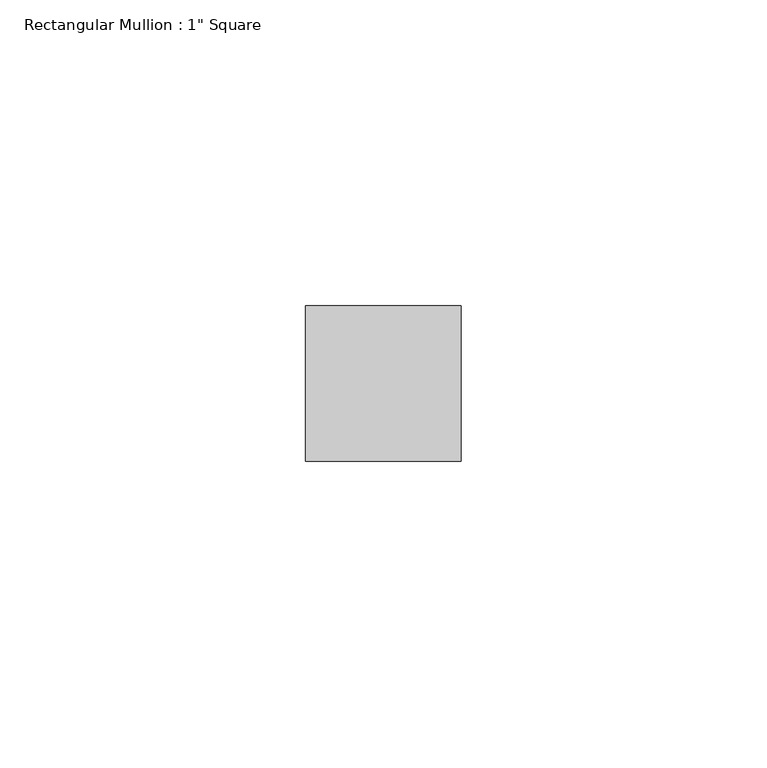
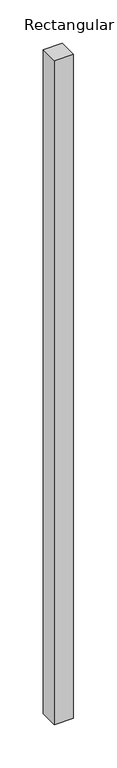
"""IFC4 building model written with IfcOpenShell, lengths in millimetres: member geometry."""

import ifcopenshell
import ifcopenshell.guid

model = None  # the IFC model being written
_history = None  # IfcOwnerHistory: only IFC2X3 demands one
_inside = {}  # id of a spatial element -> (the spatial element, [elements in it])
_under = {}  # id of a project, library or spatial element -> (it, [spatial elements below it])
_declared = {}  # id of a project -> (the project, [libraries it declares])
_typed = {}  # id of a type object -> (the type object, [elements of that type])
_made_of = {}  # id of a material, layer set ... -> (it, [elements and type objects made of it])


def new_model(schema):
    """Start an empty IFC model of exactly this schema.

    Asked for "IFC4X3", IfcOpenShell would pick the latest addendum, in which some entities
    have other attributes; the version numbers below select the first issue.
    IFC2X3 requires an IfcOwnerHistory on every rooted entity: one is made here for all.
    """
    global model, _history
    if schema == "IFC4X3":
        model = ifcopenshell.file(schema_version=(4, 3, 0, 0))
    else:
        model = ifcopenshell.file(schema=schema)
    _inside.clear()
    _under.clear()
    _declared.clear()
    _typed.clear()
    _made_of.clear()
    _history = None
    if model.schema == "IFC2X3":
        org = make("IfcOrganization", Name="unknown")
        user = make(
            "IfcPersonAndOrganization",
            ThePerson=make("IfcPerson", FamilyName="unknown"),
            TheOrganization=org,
        )
        app = make(
            "IfcApplication",
            ApplicationDeveloper=org,
            Version="unknown",
            ApplicationFullName="unknown",
            ApplicationIdentifier="unknown",
        )
        _history = make(
            "IfcOwnerHistory",
            OwningUser=user,
            OwningApplication=app,
            ChangeAction="ADDED",
            CreationDate=0,
        )
    return model


def make(cls, **values):
    """One entity of the class cls with the attributes given. An attribute that is None is left unset."""
    return model.create_entity(
        cls, **{name: value for name, value in values.items() if value is not None}
    )


def rooted(cls, **values):
    """An entity with a GlobalId (a new one), such as an element, a storey or a relation."""
    return make(cls, GlobalId=ifcopenshell.guid.new(), OwnerHistory=_history, **values)


def si_unit(unit_type, name, prefix=None):
    """IfcSIUnit, for example si_unit("LENGTHUNIT", "METRE", prefix="MILLI")."""
    return make("IfcSIUnit", UnitType=unit_type, Prefix=prefix, Name=name)


def assignment(units):
    """IfcUnitAssignment: the units of a project."""
    return None if units is None else make("IfcUnitAssignment", Units=units)


def point(xyz):
    """IfcCartesianPoint."""
    return None if xyz is None else make("IfcCartesianPoint", Coordinates=xyz)


def direction(xyz):
    """IfcDirection."""
    return None if xyz is None else make("IfcDirection", DirectionRatios=xyz)


def frame(location, z_axis=None, x_axis=None):
    """IfcAxis2Placement3D, a coordinate frame: its origin and axes. An axis left out is left unset."""
    return make(
        "IfcAxis2Placement3D",
        Location=point(location),
        Axis=direction(z_axis),
        RefDirection=direction(x_axis),
    )


def origin():
    """The frame at (0, 0, 0) with its axes left unset."""
    return frame((0.0, 0.0, 0.0))


def place(relative_to, where):
    """IfcLocalPlacement: puts the frame where relative to a parent placement (None: the world)."""
    return make(
        "IfcLocalPlacement", PlacementRelTo=relative_to, RelativePlacement=where
    )


def context(
    kind, dimensions, precision=None, world=None, true_north=None, identifier=None
):
    """IfcGeometricRepresentationContext, for example the 3D "Model" context."""
    return make(
        "IfcGeometricRepresentationContext",
        ContextIdentifier=identifier,
        ContextType=kind,
        CoordinateSpaceDimension=dimensions,
        Precision=precision,
        WorldCoordinateSystem=world,
        TrueNorth=true_north,
    )


def project(units=None, contexts=None):
    """IfcProject with its units and contexts."""
    return rooted(
        "IfcProject",
        Name="project",
        RepresentationContexts=contexts,
        UnitsInContext=assignment(units),
    )


def spatial(cls, under=None, at=None, **own):
    """A site, building, storey or space (cls), placed at a placement, below another one or the project."""
    s = rooted(cls, ObjectPlacement=at, **own)
    if under is not None:
        _under.setdefault(under.id(), (under, []))[1].append(s)
    return s


def polyline(points):
    """IfcPolyline through the points."""
    return make("IfcPolyline", Points=[point(p) for p in points])


def outline(outer, holes=None, kind="AREA"):
    """IfcArbitraryClosedProfileDef: a profile drawn as a closed curve; with holes, ...WithVoids."""
    if holes is None:
        return make("IfcArbitraryClosedProfileDef", ProfileType=kind, OuterCurve=outer)
    return make(
        "IfcArbitraryProfileDefWithVoids",
        ProfileType=kind,
        OuterCurve=outer,
        InnerCurves=holes,
    )


def extrude(swept, where, along, depth):
    """IfcExtrudedAreaSolid: the profile swept, set in the frame where, extruded along a direction by depth."""
    return make(
        "IfcExtrudedAreaSolid",
        SweptArea=swept,
        Position=where,
        ExtrudedDirection=direction(along),
        Depth=depth,
    )


def shape(context_of_items, identifier, shape_type, items):
    """IfcShapeRepresentation: the items that make up one representation, for example the "Body"."""
    return make(
        "IfcShapeRepresentation",
        ContextOfItems=context_of_items,
        RepresentationIdentifier=identifier,
        RepresentationType=shape_type,
        Items=items,
    )


def source(mapping_origin, context_of_items, identifier, shape_type, items):
    """IfcRepresentationMap: a shape defined once, which mapped items show again and again."""
    return make(
        "IfcRepresentationMap",
        MappingOrigin=mapping_origin,
        MappedRepresentation=shape(context_of_items, identifier, shape_type, items),
    )


def transform(
    local_origin,
    x_axis=None,
    y_axis=None,
    z_axis=None,
    scale=None,
    scale2=None,
    scale3=None,
    uniform=True,
):
    """IfcCartesianTransformationOperator3D, or its non-uniform kind. x_axis, y_axis, z_axis: its Axis1, 2, 3."""
    if uniform:
        return make(
            "IfcCartesianTransformationOperator3D",
            Axis1=direction(x_axis),
            Axis2=direction(y_axis),
            LocalOrigin=point(local_origin),
            Scale=scale,
            Axis3=direction(z_axis),
        )
    return make(
        "IfcCartesianTransformationOperator3DnonUniform",
        Axis1=direction(x_axis),
        Axis2=direction(y_axis),
        LocalOrigin=point(local_origin),
        Scale=scale,
        Axis3=direction(z_axis),
        Scale2=scale2,
        Scale3=scale3,
    )


def mapped(mapping_source, mapping_target):
    """IfcMappedItem: shows the shape of a source again, moved by a transform."""
    return make(
        "IfcMappedItem", MappingSource=mapping_source, MappingTarget=mapping_target
    )


def made_of(thing, what):
    """Note that an element or type object is made of a material, layer set ...; save() writes the relation."""
    if what is not None:
        _made_of.setdefault(what.id(), (what, []))[1].append(thing)
    return thing


def element(
    cls,
    number,
    at=None,
    inside=None,
    cuts=None,
    type_object=None,
    material=None,
    context=None,
    identifier="Body",
    shape_type=None,
    held_by="IfcProductDefinitionShape",
    body=None,
    shapes=None,
    **own,
):
    """One element of the class cls, such as IfcWall. Its Tag is "e" and its number.

    at: its placement. inside: the storey or other place that contains it. cuts: it is an
    opening in that element (IfcRelVoidsElement). A single representation is given by context,
    identifier, shape_type and body (its items); several are given by shapes. held_by: the class
    of the entity that holds the representations. save() writes the other relations.
    """
    e = rooted(cls, Tag="e%d" % number, ObjectPlacement=at, **own)
    if body is not None:
        shapes = [shape(context, identifier, shape_type, body)]
    if shapes is not None:
        e.Representation = make(held_by, Representations=shapes)
    if inside is not None:
        _inside.setdefault(inside.id(), (inside, []))[1].append(e)
    if cuts is not None:
        rooted(
            "IfcRelVoidsElement", RelatingBuildingElement=cuts, RelatedOpeningElement=e
        )
    if type_object is not None:
        _typed.setdefault(type_object.id(), (type_object, []))[1].append(e)
    return made_of(e, material)


def aggregate(whole, parts):
    """IfcRelAggregates: a whole, such as a stair, and the parts it consists of."""
    return rooted("IfcRelAggregates", RelatingObject=whole, RelatedObjects=parts)


def save(model, path):
    """Write the relations noted so far, then the file.

    IfcRelAggregates (storeys below a building ...), IfcRelContainedInSpatialStructure (elements
    in a storey), IfcRelDefinesByType, IfcRelAssociatesMaterial and IfcRelDeclares: one each for
    every whole, place, type object, material and project.
    """
    for whole, parts in _under.values():
        aggregate(whole, parts)
    for where, things in _inside.values():
        rooted(
            "IfcRelContainedInSpatialStructure",
            RelatedElements=things,
            RelatingStructure=where,
        )
    for kind, things in _typed.values():
        rooted("IfcRelDefinesByType", RelatedObjects=things, RelatingType=kind)
    for what, things in _made_of.values():
        rooted("IfcRelAssociatesMaterial", RelatedObjects=things, RelatingMaterial=what)
    for by, libraries in _declared.values():
        rooted("IfcRelDeclares", RelatingContext=by, RelatedDefinitions=libraries)
    model.write(path)


def member_bb84ead6(model_context):
    return source(origin(), model_context, "Body", "SweptSolid", [
        extrude(outline(polyline([(12.7, 12.7), (12.7, -12.7), (-12.7, -12.7), (-12.7, 12.7), (12.7, 12.7)])), frame((0.0, 0.0, -936.1811964), z_axis=(0.0, 0.0, 1.0), x_axis=(1.0, 0.0, 0.0)), (0.0, 0.0, 1.0), 936.1811964),
    ])


if __name__ == "__main__":
    model = new_model("IFC4")
    model_context = context("Model", 3, world=origin())
    ifc_project = project(units=[si_unit("LENGTHUNIT", "METRE", prefix="MILLI")], contexts=[model_context])
    site = spatial("IfcSite", under=ifc_project)
    building = spatial("IfcBuilding", under=site)
    placement = place(None, origin())
    member_shape = member_bb84ead6(model_context)
    element("IfcMember", 1, ObjectType="Rectangular Mullion : 1\" Square", at=placement, inside=building, context=model_context, shape_type="MappedRepresentation", body=[
        mapped(member_shape, transform((0.0, 0.0, 0.0), x_axis=(1.0, 0.0, 0.0), y_axis=(0.0, 1.0, 0.0), z_axis=(0.0, 0.0, 1.0))),
    ])
    save(model, "model.ifc")
